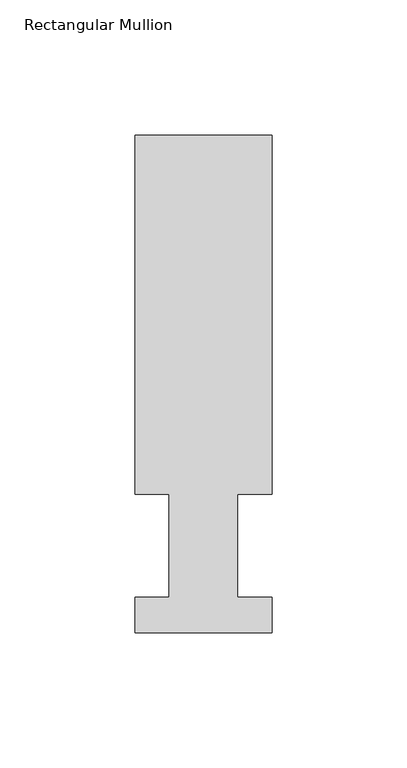
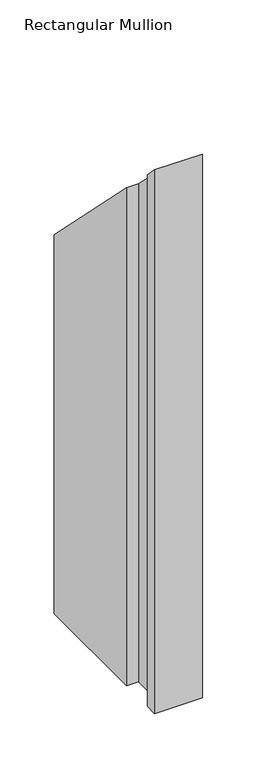
"""IFC4 building model written with IfcOpenShell, lengths in millimetres: member geometry, Rectangular Mullion."""

from ifc_helpers import new_model, si_unit, origin, place, context, project, spatial, faceted_brep, source, transform, mapped, element, save


def rectangular_mullion_c113be5c(model_context):
    return source(origin(), model_context, "Body", "Brep", [
        faceted_brep([(-50.8, 13.1960937, -609.56825), (-38.1, 13.1960937, -609.56825), (-38.1, 51.2960938, -609.56825), (-50.8, 51.2960937, -609.56825), (-50.8, 184.2396937, -609.56825), (0.0, 184.2396937, -609.56825), (0.0, 51.2960938, -609.56825), (-12.7, 51.2960937, -609.56825), (-12.7, 13.1960937, -609.56825), (0.0, 13.1960937, -609.56825), (0.0, 0.0134937, -609.56825), (-50.8, 0.0134937, -609.56825), (-50.8, 0.0134937, -0.0134937), (-50.8, 13.1960937, -13.1960937), (0.0, 0.0134937, -0.0134937), (0.0, 13.1960937, -13.1960937), (-12.7, 13.1960937, -13.1960937), (-12.7, 51.2960937, -51.2960937), (0.0, 51.2960937, -51.2960937), (0.0, 184.2396937, -184.2396937), (-50.8, 184.2396937, -184.2396937), (-50.8, 51.2960937, -51.2960937), (-38.1, 51.2960937, -51.2960937), (-38.1, 13.1960937, -13.1960937)], [[[0, 1, 2, 3, 4, 5, 6, 7, 8, 9, 10, 11]], [[12, 13, 0, 11]], [[14, 12, 11, 10]], [[15, 14, 10, 9]], [[16, 15, 9, 8]], [[17, 16, 8, 7]], [[18, 17, 7, 6]], [[19, 18, 6, 5]], [[20, 19, 5, 4]], [[21, 20, 4, 3]], [[22, 21, 3, 2]], [[23, 22, 2, 1]], [[13, 23, 1, 0]], [[13, 12, 14, 15, 16, 17, 18, 19, 20, 21, 22, 23]]]),
    ])


if __name__ == "__main__":
    model = new_model("IFC4")
    model_context = context("Model", 3, world=origin())
    ifc_project = project(units=[si_unit("LENGTHUNIT", "METRE", prefix="MILLI")], contexts=[model_context])
    site = spatial("IfcSite", under=ifc_project)
    building = spatial("IfcBuilding", under=site)
    placement = place(None, origin())
    rectangular_mullion_shape = rectangular_mullion_c113be5c(model_context)
    element("IfcMember", 1, ObjectType="Rectangular Mullion", at=placement, inside=building, context=model_context, shape_type="MappedRepresentation", body=[
        mapped(rectangular_mullion_shape, transform((0.0, 0.0, 0.0), x_axis=(1.0, 0.0, 0.0), y_axis=(0.0, 1.0, 0.0), z_axis=(0.0, 0.0, 1.0))),
    ])
    save(model, "model.ifc")
